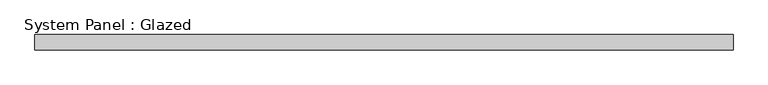
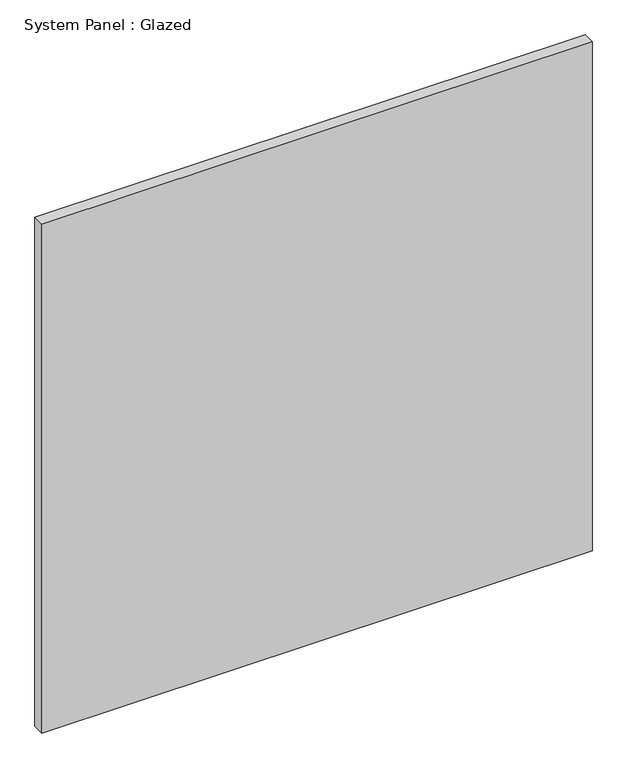
"""IFC4 building model written with IfcOpenShell, lengths in millimetres: plate geometry, System Panel : Glazed."""

from ifc_helpers import new_model, si_unit, origin, origin_with_axes, place, context, project, spatial, polyline, outline, extrude, source, transform, mapped, element, save


def system_panel_glazed_084a7fe5(model_context):
    return source(origin(), model_context, "Body", "SweptSolid", [
        extrude(outline(polyline([(574.4825378, 19.05), (-574.4825378, 19.05), (-574.4825378, 44.45), (574.4825378, 44.45), (574.4825378, 19.05)])), origin_with_axes(), (0.0, 0.0, 1.0), 1123.95),
    ])


if __name__ == "__main__":
    model = new_model("IFC4")
    model_context = context("Model", 3, world=origin())
    ifc_project = project(units=[si_unit("LENGTHUNIT", "METRE", prefix="MILLI")], contexts=[model_context])
    site = spatial("IfcSite", under=ifc_project)
    building = spatial("IfcBuilding", under=site)
    placement = place(None, origin())
    system_panel_glazed_shape = system_panel_glazed_084a7fe5(model_context)
    element("IfcPlate", 1, ObjectType="System Panel : Glazed", at=placement, inside=building, context=model_context, shape_type="MappedRepresentation", body=[
        mapped(system_panel_glazed_shape, transform((0.0, 0.0, 0.0), x_axis=(1.0, 0.0, 0.0), y_axis=(0.0, 1.0, 0.0), z_axis=(0.0, 0.0, 1.0))),
    ])
    save(model, "model.ifc")
